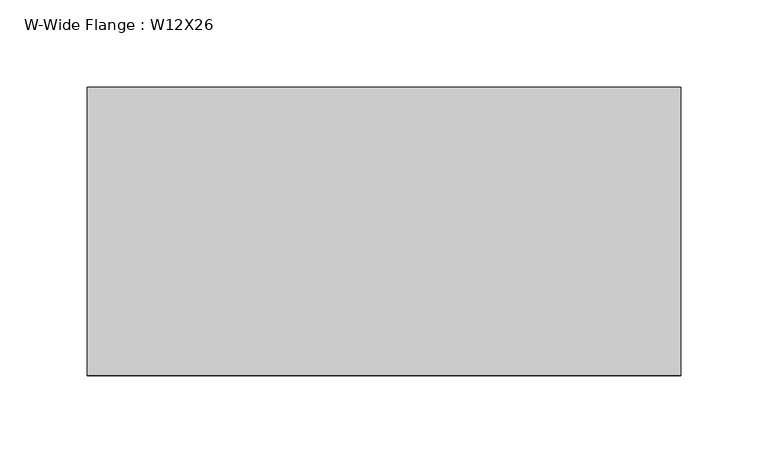
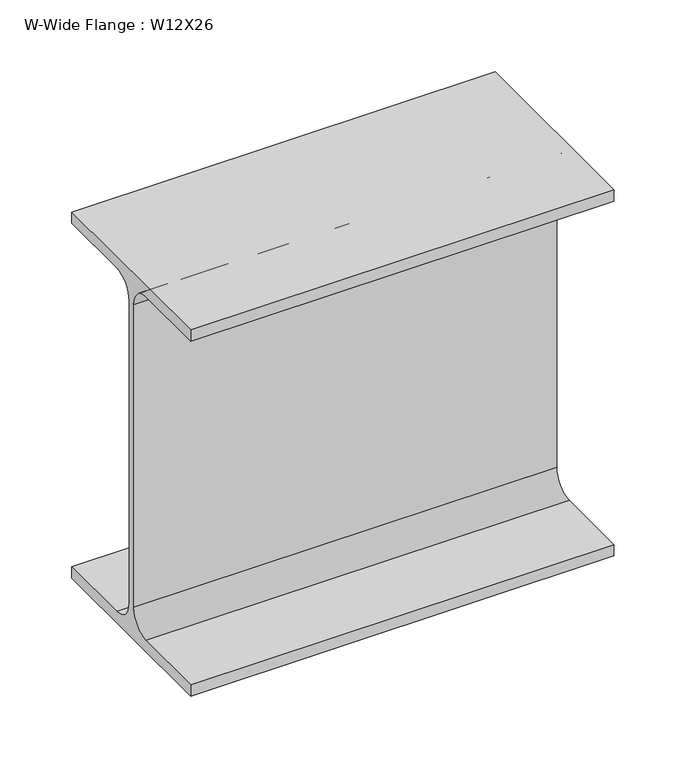
"""IFC4 building model written with IfcOpenShell, lengths in millimetres: beam geometry, W-Wide Flange : W12X26."""

from ifc_helpers import new_model, si_unit, point, frame, frame_2d, origin, place, context, project, spatial, polyline, circle_curve, trimmed, segment, composite_curve, outline, extrude, source, transform, mapped, element, save


def w_wide_flange_w12x26_0636bbe3(model_context):
    return source(origin(), model_context, "Body", "SweptSolid", [
        extrude(outline(composite_curve([segment(polyline([(82.4011719, -145.5539063), (82.4011719, -155.178125), (-82.4011719, -155.178125), (-82.4011719, -145.5539063), (-20.2902344, -145.5539063)]), True, "CONTINUOUS"), segment(trimmed(circle_curve(frame_2d((-20.2902344, -128.190625)), 17.3632812), [point((-20.2902344, -145.5539063))], [point((-2.9269531, -128.190625))], True, "CARTESIAN"), True, "CONTINUOUS"), segment(polyline([(-2.9269531, -128.190625), (-2.9269531, 128.190625)]), True, "CONTINUOUS"), segment(trimmed(circle_curve(frame_2d((-20.2902344, 128.190625)), 17.3632812), [point((-2.9269531, 128.190625))], [point((-20.2902344, 145.5539062))], True, "CARTESIAN"), True, "CONTINUOUS"), segment(polyline([(-20.2902344, 145.5539062), (-82.4011719, 145.5539062), (-82.4011719, 155.178125), (82.4011719, 155.178125), (82.4011719, 145.5539062), (20.2902344, 145.5539062)]), True, "CONTINUOUS"), segment(trimmed(circle_curve(frame_2d((20.2902344, 128.190625)), 17.3632812), [point((20.2902344, 145.5539062))], [point((2.9269531, 128.190625))], True, "CARTESIAN"), True, "CONTINUOUS"), segment(polyline([(2.9269531, 128.190625), (2.9269531, -128.190625)]), True, "CONTINUOUS"), segment(trimmed(circle_curve(frame_2d((20.2902344, -128.190625)), 17.3632812), [point((2.9269531, -128.190625))], [point((20.2902344, -145.5539063))], True, "CARTESIAN"), True, "CONTINUOUS"), segment(polyline([(20.2902344, -145.5539063), (82.4011719, -145.5539063)]), True, "CONTINUOUS")], self_intersect=False)), frame((-121.7614118, 0.0, 0.0), z_axis=(1.0, 0.0, 0.0), x_axis=(0.0, 1.0, 0.0)), (0.0, 0.0, 1.0), 339.4281791),
    ])


if __name__ == "__main__":
    model = new_model("IFC4")
    model_context = context("Model", 3, world=origin())
    ifc_project = project(units=[si_unit("LENGTHUNIT", "METRE", prefix="MILLI")], contexts=[model_context])
    site = spatial("IfcSite", under=ifc_project)
    building = spatial("IfcBuilding", under=site)
    placement = place(None, origin())
    w_wide_flange_w12x26_shape = w_wide_flange_w12x26_0636bbe3(model_context)
    element("IfcBeam", 1, ObjectType="W-Wide Flange : W12X26", at=placement, inside=building, context=model_context, shape_type="MappedRepresentation", body=[
        mapped(w_wide_flange_w12x26_shape, transform((0.0, 0.0, 0.0), x_axis=(1.0, 0.0, 0.0), y_axis=(0.0, 1.0, 0.0), z_axis=(0.0, 0.0, 1.0))),
    ])
    save(model, "model.ifc")
